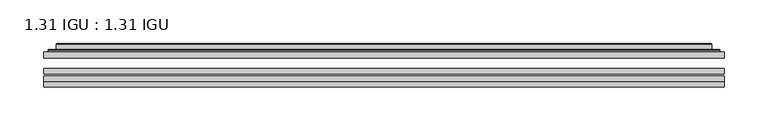
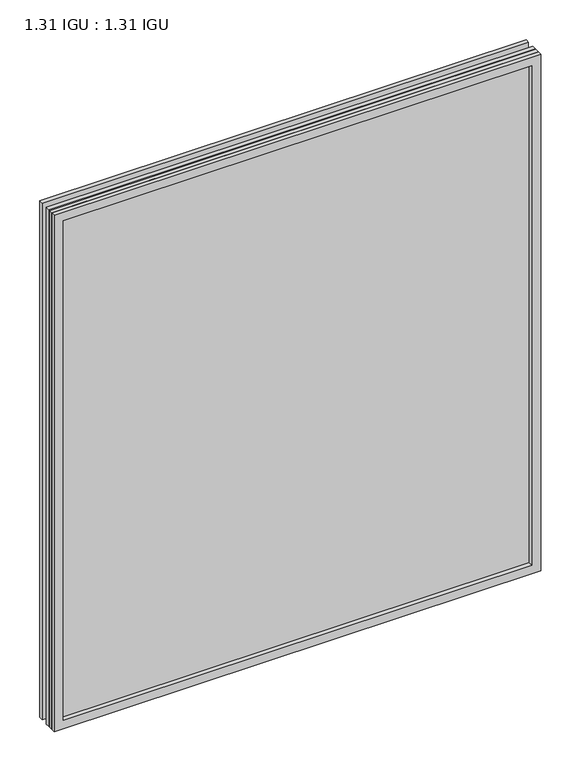
"""IFC4 building model written with IfcOpenShell, lengths in millimetres: plate geometry, 1.31 IGU : 1.31 IGU."""

from ifc_helpers import new_model, si_unit, frame, origin, place, context, project, spatial, polyline, ellipse_curve, outline, extrude, faceted_brep, source, transform, mapped, element, save
from ifc_brep_helpers import plane_surface, cylinder_surface, advanced_brep


def plate_1_31_igu_1_31_igu_87fc305e(model_context):
    return source(origin(), model_context, "Body", "SolidModel", [
        extrude(outline(polyline([(387.3640393, -63.2975937), (387.3640393, -69.6475938), (-387.3498644, -69.6475938), (-387.3498644, -63.2975937), (387.3640393, -63.2975937)])), frame((0.0, 0.0, -14.2875), z_axis=(0.0, 0.0, 1.0), x_axis=(1.0, 0.0, 0.0)), (0.0, 0.0, 1.0), 869.9537979),
        extrude(outline(polyline([(-387.3498644, -78.2835938), (-387.3498644, -71.9330887), (387.3640393, -71.9330887), (387.3640393, -78.2835938), (-387.3498644, -78.2835938)])), frame((0.0, 0.0, -14.2875), z_axis=(0.0, 0.0, 1.0), x_axis=(1.0, 0.0, 0.0)), (0.0, 0.0, 1.0), 869.9537979),
        extrude(outline(polyline([(387.3640393, -44.9587937), (387.3640393, -51.3087938), (-387.3498644, -51.3087938), (-387.3498644, -44.9587937), (387.3640393, -44.9587937)])), frame((0.0, 0.0, -14.2875), z_axis=(0.0, 0.0, 1.0), x_axis=(1.0, 0.0, 0.0)), (0.0, 0.0, 1.0), 869.9537979),
        faceted_brep([(-387.3625644, -84.6335937, 855.6752), (-387.3625644, -78.2835937, 855.6752), (-387.3625644, -78.2835937, -14.3002), (-387.3625644, -84.6335937, -14.3002), (387.3625644, -78.2835937, -14.3002), (387.3625644, -84.6335937, -14.3002), (387.3625644, -78.2835937, 855.6752), (387.3625644, -84.6335937, 855.6752), (-372.1646202, -78.2835937, 0.8977441), (372.1646202, -78.2835937, 0.8977441), (372.1646202, -78.2835937, 840.4772559), (-372.1646202, -78.2835937, 840.4772559), (-373.0570545, -84.6335937, 841.3696902), (373.0570545, -84.6335937, 841.3696902), (373.0570545, -84.6335937, 0.0053098), (-373.0570545, -84.6335937, 0.0053098)], [[[0, 1, 2, 3]], [[3, 2, 4, 5]], [[5, 4, 6, 7]], [[1, 6, 4, 2], [8, 9, 10, 11]], [[7, 6, 1, 0]], [[3, 5, 7, 0], [12, 13, 14, 15]], [[11, 12, 15, 8]], [[8, 15, 14, 9]], [[9, 14, 13, 10]], [[10, 13, 12, 11]]]),
        advanced_brep(
        [(-380.1085834, -44.9587937, 848.421219), (-382.4627888, -42.9691271, 850.7754244), (-382.4627888, -42.9691271, -9.4004244), (-380.1085834, -44.9587937, -7.046219), (-371.0342583, -41.1187568, 839.3468939), (-366.0994264, -44.9587937, 834.4120621), (-366.0994264, -44.9587937, 6.9629379), (-371.0342583, -41.1187568, 2.0281061), (-372.066286, -35.7215256, 840.3789217), (-372.066286, -35.7215256, 0.9960783), (-373.0569428, -35.3225507, 841.3695784), (-373.0569428, -35.3225507, 0.0054216), (-373.0569428, -41.7837937, 841.3695784), (-373.0569428, -41.7837937, 0.0054216), (-381.4609992, -41.7837937, 849.7736349), (-381.4609992, -41.7837937, -8.3986349), (382.4627888, -42.9691271, -9.4004244), (380.1085834, -44.9587937, -7.046219), (366.0994264, -44.9587937, 6.9629379), (371.0342583, -41.1187568, 2.0281061), (372.066286, -35.7215256, 0.9960783), (373.0569428, -35.3225507, 0.0054216), (373.0569428, -41.7837937, 0.0054216), (381.4609992, -41.7837937, -8.3986349), (382.4627888, -42.9691271, 850.7754244), (380.1085834, -44.9587937, 848.421219), (366.0994264, -44.9587937, 834.4120621), (371.0342583, -41.1187568, 839.3468939), (372.066286, -35.7215256, 840.3789217), (373.0569428, -35.3225507, 841.3695784), (373.0569428, -41.7837937, 841.3695784), (381.4609992, -41.7837937, 849.7736349)],
        [
            (0, 1, ellipse_curve(frame((-380.1085834, -42.5711937, 848.421219), z_axis=(-0.7071067811865475, 0.0, -0.7071067811865475), x_axis=(-0.7071067811865474, 0.0, 0.7071067811865476)), 3.3765763, 2.3876)),
            (1, 2),
            (2, 3, ellipse_curve(frame((-380.1085834, -42.5711937, -7.046219), z_axis=(-0.7071067811865475, 0.0, 0.7071067811865475), x_axis=(0.7071067811865474, 0.0, 0.7071067811865476)), 3.3765763, 2.3876)),
            (3, 0),
            (4, 5),
            (5, 6),
            (6, 7),
            (7, 4),
            (8, 4),
            (7, 9),
            (9, 8),
            (10, 8, ellipse_curve(frame((-372.6899862, -35.840786, 841.0026219), z_axis=(-0.7071067811865475, 0.0, -0.7071067811865475), x_axis=(-0.7071067811865474, 0.0, 0.7071067811865476)), 0.8980256, 0.635)),
            (9, 11, ellipse_curve(frame((-372.6899862, -35.840786, 0.3723781), z_axis=(-0.7071067811865475, 0.0, 0.7071067811865475), x_axis=(0.7071067811865474, 0.0, 0.7071067811865476)), 0.8980256, 0.635)),
            (11, 10),
            (12, 10),
            (11, 13),
            (13, 12),
            (1, 14, ellipse_curve(frame((-381.4609992, -42.7997937, 849.7736349), z_axis=(-0.7071067811865475, 0.0, -0.7071067811865475), x_axis=(-0.7071067811865474, 0.0, 0.7071067811865476)), 1.436841, 1.016)),
            (14, 15),
            (15, 2, ellipse_curve(frame((-381.4609992, -42.7997937, -8.3986349), z_axis=(-0.7071067811865475, 0.0, 0.7071067811865475), x_axis=(0.7071067811865474, 0.0, 0.7071067811865476)), 1.436841, 1.016)),
            (2, 16),
            (16, 17, ellipse_curve(frame((380.1085834, -42.5711937, -7.046219), z_axis=(-0.7071067811865475, 0.0, -0.7071067811865475), x_axis=(-0.7071067811865476, 0.0, 0.7071067811865474)), 3.3765763, 2.3876)),
            (17, 3),
            (6, 18),
            (18, 19),
            (19, 7),
            (19, 20),
            (20, 9),
            (20, 21, ellipse_curve(frame((372.6899862, -35.840786, 0.3723781), z_axis=(-0.7071067811865475, 0.0, -0.7071067811865475), x_axis=(-0.7071067811865476, 0.0, 0.7071067811865474)), 0.8980256, 0.635)),
            (21, 11),
            (21, 22),
            (22, 13),
            (15, 23),
            (23, 16, ellipse_curve(frame((381.4609992, -42.7997937, -8.3986349), z_axis=(-0.7071067811865475, 0.0, -0.7071067811865475), x_axis=(-0.7071067811865476, 0.0, 0.7071067811865474)), 1.436841, 1.016)),
            (16, 24),
            (24, 25, ellipse_curve(frame((380.1085834, -42.5711937, 848.421219), z_axis=(0.7071067811865475, 0.0, -0.7071067811865475), x_axis=(-0.7071067811865474, 0.0, -0.7071067811865476)), 3.3765763, 2.3876)),
            (25, 17),
            (18, 26),
            (26, 27),
            (27, 19),
            (27, 28),
            (28, 20),
            (28, 29, ellipse_curve(frame((372.6899862, -35.840786, 841.0026219), z_axis=(0.7071067811865475, 0.0, -0.7071067811865475), x_axis=(-0.7071067811865474, 0.0, -0.7071067811865476)), 0.8980256, 0.635)),
            (29, 21),
            (29, 30),
            (30, 22),
            (23, 31),
            (31, 24, ellipse_curve(frame((381.4609992, -42.7997937, 849.7736349), z_axis=(0.7071067811865475, 0.0, -0.7071067811865475), x_axis=(-0.7071067811865474, 0.0, -0.7071067811865476)), 1.436841, 1.016)),
            (24, 1),
            (0, 25),
            (5, 26),
            (4, 27),
            (8, 28),
            (10, 29),
            (12, 30),
            (14, 31),
        ],
        [
            cylinder_surface(frame((-380.1085834, -42.5711937, 873.125), z_axis=(0.0, 0.0, 1.0), x_axis=(-1.0, 0.0, 0.0)), 2.3876),
            plane_surface(frame((-366.0994264, -44.9587937, 834.4120621), z_axis=(0.6141233906514794, 0.7892100234124821, 0.0), x_axis=(0.0, 0.0, -1.0))),
            plane_surface(frame((-371.0342583, -41.1187568, 839.3468939), z_axis=(0.9822050625507729, 0.18781164793386076, 0.0), x_axis=(0.0, 0.0, -1.0))),
            cylinder_surface(frame((-372.6899862, -35.840786, 873.125), z_axis=(0.0, 0.0, 1.0), x_axis=(-1.0, 0.0, 0.0)), 0.635),
            plane_surface(frame((-373.0569428, -35.3225507, 841.3695784), z_axis=(-1.0, 0.0, 0.0), x_axis=(0.0, 0.0, -1.0))),
            cylinder_surface(frame((-381.4609992, -42.7997937, 873.125), z_axis=(0.0, 0.0, 1.0), x_axis=(-1.0, 0.0, 0.0)), 1.016),
            cylinder_surface(frame((-404.8123644, -42.5711937, -7.046219), z_axis=(-1.0, 0.0, 0.0), x_axis=(0.0, 0.0, -1.0)), 2.3876),
            plane_surface(frame((-366.0994264, -44.9587937, 6.9629379), z_axis=(0.0, 0.7892100234124841, 0.6141233906514768), x_axis=(1.0, 0.0, 0.0))),
            plane_surface(frame((-371.0342583, -41.1187568, 2.0281061), z_axis=(0.0, 0.18781164793386393, 0.9822050625507723), x_axis=(1.0, 0.0, 0.0))),
            cylinder_surface(frame((-404.8123644, -35.840786, 0.3723781), z_axis=(-1.0, 0.0, 0.0), x_axis=(0.0, 0.0, -1.0)), 0.635),
            plane_surface(frame((-373.0569428, -35.3225507, 0.0054216), z_axis=(0.0, 0.0, -1.0), x_axis=(1.0, 0.0, 0.0))),
            cylinder_surface(frame((-404.8123644, -42.7997937, -8.3986349), z_axis=(-1.0, 0.0, 0.0), x_axis=(0.0, 0.0, -1.0)), 1.016),
            cylinder_surface(frame((380.1085834, -42.5711937, -31.75), z_axis=(0.0, 0.0, -1.0), x_axis=(1.0, 0.0, 0.0)), 2.3876),
            plane_surface(frame((366.0994264, -44.9587937, 6.9629379), z_axis=(-0.6141233906514743, 0.7892100234124861, 0.0), x_axis=(0.0, 0.0, 1.0))),
            plane_surface(frame((371.0342583, -41.1187568, 2.0281061), z_axis=(-0.9822050625507718, 0.1878116479338671, 0.0), x_axis=(0.0, 0.0, 1.0))),
            cylinder_surface(frame((372.6899862, -35.840786, -31.75), z_axis=(0.0, 0.0, -1.0), x_axis=(1.0, 0.0, 0.0)), 0.635),
            plane_surface(frame((373.0569428, -35.3225507, 0.0054216), z_axis=(1.0, 0.0, 0.0), x_axis=(0.0, 0.0, 1.0))),
            cylinder_surface(frame((381.4609992, -42.7997937, -31.75), z_axis=(0.0, 0.0, -1.0), x_axis=(1.0, 0.0, 0.0)), 1.016),
            cylinder_surface(frame((404.8123644, -42.5711937, 848.421219), z_axis=(1.0, 0.0, 0.0), x_axis=(0.0, 0.0, 1.0)), 2.3876),
            plane_surface(frame((380.1085834, -44.9587937, 848.421219), z_axis=(0.0, -1.0, 0.0), x_axis=(-1.0, 0.0, 0.0))),
            plane_surface(frame((366.0994264, -44.9587937, 834.4120621), z_axis=(0.0, 0.7892100234124841, -0.6141233906514768), x_axis=(-1.0, 0.0, 0.0))),
            plane_surface(frame((371.0342583, -41.1187568, 839.3468939), z_axis=(0.0, 0.18781164793386393, -0.9822050625507723), x_axis=(-1.0, 0.0, 0.0))),
            cylinder_surface(frame((404.8123644, -35.840786, 841.0026219), z_axis=(1.0, 0.0, 0.0), x_axis=(0.0, 0.0, 1.0)), 0.635),
            plane_surface(frame((373.0569428, -35.3225507, 841.3695784), z_axis=(0.0, 0.0, 1.0), x_axis=(-1.0, 0.0, 0.0))),
            plane_surface(frame((373.0569428, -41.7837937, 841.3695784), z_axis=(0.0, 1.0, 0.0), x_axis=(-1.0, 0.0, 0.0))),
            cylinder_surface(frame((404.8123644, -42.7997937, 849.7736349), z_axis=(1.0, 0.0, 0.0), x_axis=(0.0, 0.0, 1.0)), 1.016),
        ],
        [
            (0, [[1, 2, 3, 4]]),
            (1, [[5, 6, 7, 8]]),
            (2, [[9, -8, 10, 11]]),
            (3, [[12, -11, 13, 14]]),
            (4, [[15, -14, 16, 17]]),
            (5, [[18, 19, 20, -2]]),
            (6, [[-3, 21, 22, 23]]),
            (7, [[-7, 24, 25, 26]]),
            (8, [[-10, -26, 27, 28]]),
            (9, [[-13, -28, 29, 30]]),
            (10, [[-16, -30, 31, 32]]),
            (11, [[-20, 33, 34, -21]]),
            (12, [[-22, 35, 36, 37]]),
            (13, [[-25, 38, 39, 40]]),
            (14, [[-27, -40, 41, 42]]),
            (15, [[-29, -42, 43, 44]]),
            (16, [[-31, -44, 45, 46]]),
            (17, [[-34, 47, 48, -35]]),
            (18, [[-36, 49, -1, 50]]),
            (19, [[-23, -37, -50, -4], [51, -38, -24, -6]]),
            (20, [[-39, -51, -5, 52]]),
            (21, [[-41, -52, -9, 53]]),
            (22, [[-43, -53, -12, 54]]),
            (23, [[-45, -54, -15, 55]]),
            (24, [[56, -47, -33, -19], [-32, -46, -55, -17]]),
            (25, [[-48, -56, -18, -49]]),
        ],
    ),
    ])


if __name__ == "__main__":
    model = new_model("IFC4")
    model_context = context("Model", 3, world=origin())
    ifc_project = project(units=[si_unit("LENGTHUNIT", "METRE", prefix="MILLI")], contexts=[model_context])
    site = spatial("IfcSite", under=ifc_project)
    building = spatial("IfcBuilding", under=site)
    placement = place(None, origin())
    plate_1_31_igu_1_31_igu_shape = plate_1_31_igu_1_31_igu_87fc305e(model_context)
    element("IfcPlate", 1, ObjectType="1.31 IGU : 1.31 IGU", at=placement, inside=building, context=model_context, shape_type="MappedRepresentation", body=[
        mapped(plate_1_31_igu_1_31_igu_shape, transform((0.0, 0.0, 0.0), x_axis=(1.0, 0.0, 0.0), y_axis=(0.0, 1.0, 0.0), z_axis=(0.0, 0.0, 1.0))),
    ])
    save(model, "model.ifc")
